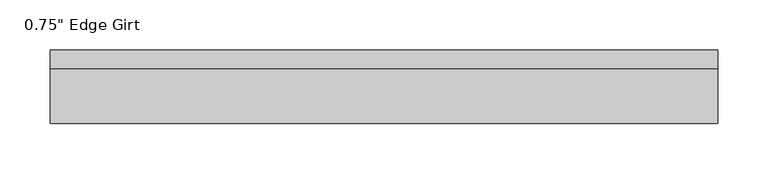
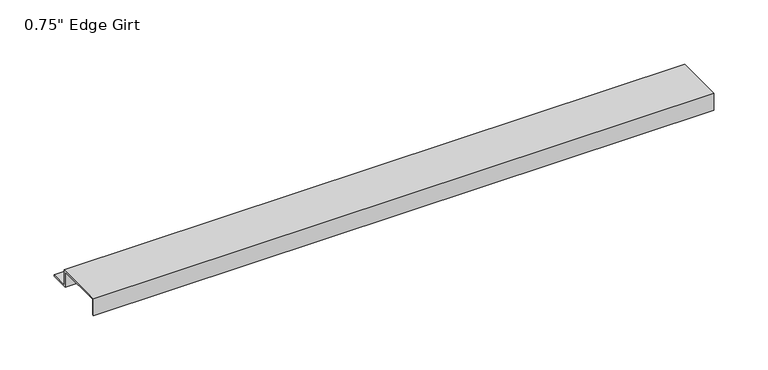
"""IFC4 building model written with IfcOpenShell, lengths in millimetres: proxy geometry."""

from ifc_helpers import new_model, si_unit, frame, origin, place, context, project, spatial, polyline, outline, extrude, source, transform, mapped, element, save


def proxy_dc98ab55(model_context):
    return source(origin(), model_context, "Body", "SweptSolid", [
        extrude(outline(polyline([(46.0559645, -17.4375), (25.4, -17.4375), (25.4, 0.0), (-25.4, 0.0), (-25.4, -17.4375), (-27.0129, -17.4375), (-27.0129, 1.6129), (27.0129, 1.6129), (27.0129, -15.8242), (46.0559645, -15.8242), (46.0559645, -17.4375)])), frame((0.0, 0.0, 0.0), z_axis=(1.0, 0.0, 0.0), x_axis=(0.0, 1.0, 0.0)), (0.0, 0.0, 1.0), 663.2536),
    ])


if __name__ == "__main__":
    model = new_model("IFC4")
    model_context = context("Model", 3, world=origin())
    ifc_project = project(units=[si_unit("LENGTHUNIT", "METRE", prefix="MILLI")], contexts=[model_context])
    site = spatial("IfcSite", under=ifc_project)
    building = spatial("IfcBuilding", under=site)
    placement = place(None, origin())
    proxy_shape = proxy_dc98ab55(model_context)
    element("IfcBuildingElementProxy", 1, Name="0.75\" Edge Girt", ObjectType="0.75\" Edge Girt", at=placement, inside=building, context=model_context, shape_type="MappedRepresentation", body=[
        mapped(proxy_shape, transform((0.0, 0.0, 0.0), x_axis=(1.0, 0.0, 0.0), y_axis=(0.0, 1.0, 0.0), z_axis=(0.0, 0.0, 1.0))),
    ])
    save(model, "model.ifc")
